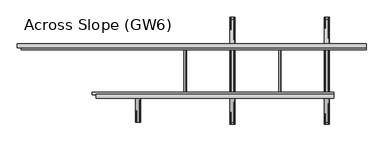
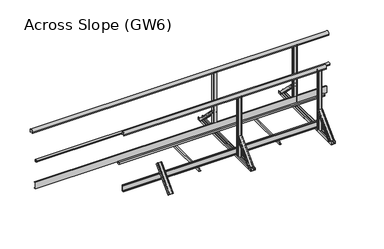
"""IFC4 building model written with IfcOpenShell, lengths in millimetres: proxy geometry, Across Slope (GW6)."""

from ifc_helpers import new_model, si_unit, point, frame, frame_2d, origin, origin_with_axes, place, context, project, spatial, polyline, circle_curve, trimmed, segment, composite_curve, outline, extrude, source, transform, mapped, element, save
from ifc_brep_helpers import plane_surface, extruded_surface, advanced_brep


def across_slope_gw6_4730b1f0(model_context):
    return source(origin(), model_context, "Body", "SolidModel", [
        extrude(outline(polyline([(-34.5, 63.0), (-34.5, 66.0), (-12.5, 66.0), (-12.5, 160.0), (-34.5, 160.0), (-34.5, 163.0), (-9.5, 163.0), (-9.5, 63.0), (-34.5, 63.0)])), frame((978.6034865, 0.0, 0.0), z_axis=(1.0, 0.0, 0.0), x_axis=(0.0, 1.0, 0.0)), (0.0, 0.0, 1.0), 3119.1400263),
        extrude(outline(composite_curve([segment(polyline([(-10.5, 1001.43534), (-10.5, 983.0), (-11.5, 983.0), (-11.5, 998.0), (-51.5, 998.0), (-51.5, 983.0), (-52.5, 983.0), (-52.5, 1001.43534)]), True, "CONTINUOUS"), segment(trimmed(circle_curve(frame_2d((-31.5, 1015.0)), 25.0), [point((-52.5, 1001.43534))], [point((-10.5, 1001.43534))], False, "CARTESIAN"), True, "CONTINUOUS")], self_intersect=False)), frame((980.0, 0.0, 0.0), z_axis=(1.0, 0.0, 0.0), x_axis=(0.0, 1.0, 0.0)), (0.0, 0.0, 1.0), 3119.1400263),
        extrude(outline(composite_curve([segment(trimmed(circle_curve(frame_2d((3.212495, 528.0)), 20.0), [point((21.8, 520.617273))], [point((-12.5, 515.6259343))], False, "CARTESIAN"), True, "CONTINUOUS"), segment(polyline([(-12.5, 515.6259343), (-12.5, 540.3740657)]), True, "CONTINUOUS"), segment(trimmed(circle_curve(frame_2d((3.212495, 528.0)), 20.0), [point((-12.5, 540.3740657))], [point((21.8, 535.382727))], False, "CARTESIAN"), True, "CONTINUOUS"), segment(polyline([(21.8, 535.382727), (17.8, 535.382727), (17.8, 520.617273), (21.8, 520.617273)]), True, "CONTINUOUS")], self_intersect=False)), frame((930.0, 0.0, 0.0), z_axis=(1.0, 0.0, 0.0), x_axis=(0.0, 1.0, 0.0)), (0.0, 0.0, 1.0), 3169.1400263),
        extrude(outline(polyline([(634.5, 63.0), (609.5, 63.0), (609.5, 163.0), (634.5, 163.0), (634.5, 160.0), (612.5, 160.0), (612.5, 66.0), (634.5, 66.0), (634.5, 63.0)])), frame((0.0, 0.0, 0.0), z_axis=(1.0, 0.0, 0.0), x_axis=(0.0, 1.0, 0.0)), (0.0, 0.0, 1.0), 4489.1400263),
        extrude(outline(composite_curve([segment(polyline([(578.2, 520.617273), (582.2, 520.617273), (582.2, 535.382727), (578.2, 535.382727)]), True, "CONTINUOUS"), segment(trimmed(circle_curve(frame_2d((596.787505, 528.0)), 20.0), [point((578.2, 535.382727))], [point((612.5, 540.3740657))], False, "CARTESIAN"), True, "CONTINUOUS"), segment(polyline([(612.5, 540.3740657), (612.5, 515.6259343)]), True, "CONTINUOUS"), segment(trimmed(circle_curve(frame_2d((596.787505, 528.0)), 20.0), [point((612.5, 515.6259343))], [point((578.2, 520.617273))], False, "CARTESIAN"), True, "CONTINUOUS")], self_intersect=False)), frame((0.0, 0.0, 0.0), z_axis=(1.0, 0.0, 0.0), x_axis=(0.0, 1.0, 0.0)), (0.0, 0.0, 1.0), 4519.1400263),
        extrude(outline(composite_curve([segment(polyline([(652.5, 1001.43534), (652.5, 983.0), (651.5, 983.0), (651.5, 998.0), (611.5, 998.0), (611.5, 983.0), (610.5, 983.0), (610.5, 1001.43534)]), True, "CONTINUOUS"), segment(trimmed(circle_curve(frame_2d((631.5, 1015.0)), 25.0), [point((610.5, 1001.43534))], [point((652.5, 1001.43534))], False, "CARTESIAN"), True, "CONTINUOUS")], self_intersect=False)), frame((-50.0, 0.0, 0.0), z_axis=(1.0, 0.0, 0.0), x_axis=(0.0, 1.0, 0.0)), (0.0, 0.0, 1.0), 4569.1400263),
        extrude(outline(polyline([(3e-07, 3405.3550197), (2.0000003, 3405.3550197), (2.0000003, 3377.3550197), (38.0000003, 3377.3550197), (38.0000003, 3395.3550197), (40.0000003, 3395.3550197), (40.0000003, 3375.3550197), (3e-07, 3375.3550197), (3e-07, 3405.3550197)])), frame((0.0, -50.0, 0.0), z_axis=(0.0, 1.0, 0.0), x_axis=(0.0, 0.0, 1.0)), (0.0, 0.0, 1.0), 700.0),
        extrude(outline(polyline([(3e-07, 2163.7850066), (2.0000003, 2163.7850066), (2.0000003, 2135.7850066), (38.0000003, 2135.7850066), (38.0000003, 2153.7850066), (40.0000003, 2153.7850066), (40.0000003, 2133.7850066), (3e-07, 2133.7850066), (3e-07, 2163.7850066)])), frame((0.0, -50.0, 0.0), z_axis=(0.0, 1.0, 0.0), x_axis=(0.0, 0.0, 1.0)), (0.0, 0.0, 1.0), 700.0),
        advanced_brep(
        [(2799.0700131, -368.6980515, 38.0), (2734.0700131, -368.6980515, 38.0), (2734.0700131, -342.888654, 12.1906025), (2737.0700131, -342.888654, 12.1906025), (2737.0700131, -366.5767312, 35.8786797), (2747.0700131, -366.5767312, 35.8786797), (2747.0700131, -364.8089642, 34.1109127), (2748.0700131, -364.8089642, 34.1109127), (2748.0700131, -366.5767312, 35.8786797), (2785.0700131, -366.5767312, 35.8786797), (2785.0700131, -364.8089642, 34.1109127), (2786.0700131, -364.8089642, 34.1109127), (2786.0700131, -366.5767312, 35.8786797), (2796.0700131, -366.5767312, 35.8786797), (2796.0700131, -342.888654, 12.1906025), (2799.0700131, -342.888654, 12.1906025), (2802.0700131, -50.5, 356.1980516), (2802.0700131, -24.6906025, 330.3886541), (2799.0700131, -24.6906025, 330.3886541), (2799.0700131, -48.3786797, 354.0767312), (2789.0700131, -48.3786797, 354.0767312), (2789.0700131, -46.6109127, 352.3089643), (2788.0700131, -46.6109127, 352.3089643), (2788.0700131, -48.3786797, 354.0767312), (2751.0700131, -48.3786797, 354.0767312), (2751.0700131, -46.6109127, 352.3089643), (2750.0700131, -46.6109127, 352.3089643), (2750.0700131, -48.3786797, 354.0767312), (2740.0700131, -48.3786797, 354.0767312), (2740.0700131, -24.6906025, 330.3886541), (2737.0700131, -24.6906025, 330.3886541), (2737.0700131, -50.5, 356.1980516)],
        [
            (0, 1),
            (1, 2),
            (2, 3, circle_curve(frame((2735.5700131, -342.888654, 12.1906025), z_axis=(0.0, -0.7071067811865506, -0.7071067811865446), x_axis=(0.0, -0.7071067811865446, 0.7071067811865506)), 1.5)),
            (3, 4),
            (4, 5),
            (5, 6),
            (6, 7, circle_curve(frame((2747.5700131, -364.8089642, 34.1109127), z_axis=(0.0, -0.7071067811865506, -0.7071067811865446), x_axis=(0.0, -0.7071067811865446, 0.7071067811865506)), 0.5)),
            (7, 8),
            (8, 9),
            (9, 10),
            (10, 11, circle_curve(frame((2785.5700131, -364.8089642, 34.1109127), z_axis=(0.0, -0.7071067811865506, -0.7071067811865446), x_axis=(0.0, -0.7071067811865446, 0.7071067811865506)), 0.5)),
            (11, 12),
            (12, 13),
            (13, 14),
            (14, 15, circle_curve(frame((2797.5700131, -342.888654, 12.1906025), z_axis=(0.0, -0.7071067811865506, -0.7071067811865446), x_axis=(0.0, -0.7071067811865446, 0.7071067811865506)), 1.5)),
            (15, 0),
            (16, 17),
            (17, 18, circle_curve(frame((2800.5700131, -24.6906025, 330.3886541), z_axis=(0.0, 0.7071067811865506, 0.7071067811865446), x_axis=(0.0, -0.7071067811865446, 0.7071067811865506)), 1.5)),
            (18, 19),
            (19, 20),
            (20, 21),
            (21, 22, circle_curve(frame((2788.5700131, -46.6109127, 352.3089643), z_axis=(0.0, 0.7071067811865506, 0.7071067811865446), x_axis=(0.0, -0.7071067811865446, 0.7071067811865506)), 0.5)),
            (22, 23),
            (23, 24),
            (24, 25),
            (25, 26, circle_curve(frame((2750.5700131, -46.6109127, 352.3089643), z_axis=(0.0, 0.7071067811865506, 0.7071067811865446), x_axis=(0.0, -0.7071067811865446, 0.7071067811865506)), 0.5)),
            (26, 27),
            (27, 28),
            (28, 29),
            (29, 30, circle_curve(frame((2738.5700131, -24.6906025, 330.3886541), z_axis=(0.0, 0.7071067811865506, 0.7071067811865446), x_axis=(0.0, -0.7071067811865446, 0.7071067811865506)), 1.5)),
            (30, 31),
            (31, 16),
            (16, 0),
            (15, 17),
            (14, 18),
            (13, 19),
            (12, 20),
            (11, 21),
            (10, 22),
            (9, 23),
            (8, 24),
            (7, 25),
            (6, 26),
            (5, 27),
            (4, 28),
            (3, 29),
            (2, 30),
            (1, 31),
        ],
        [
            plane_surface(frame((2766.5700131, -360.4779352, 29.7798837), z_axis=(0.0, -0.7071067811865502, -0.7071067811865449), x_axis=(0.0, 0.7071067811865449, -0.7071067811865502))),
            plane_surface(frame((2769.5700131, -42.2798837, 347.9779352), z_axis=(0.0, 0.7071067811865505, 0.7071067811865447), x_axis=(0.0, 0.7071067811865447, -0.7071067811865505))),
            plane_surface(frame((2802.0700131, -37.5953012, 343.2933528), z_axis=(0.9999777785184913, -0.004713940454838276, -0.004713940454838116), x_axis=(0.0, 0.7071067811865449, -0.7071067811865502))),
            extruded_surface(trimmed(circle_curve(frame((2797.5700131, -342.888654, 12.1906025), z_axis=(0.0, 0.7071067811865506, 0.7071067811865446), x_axis=(0.0, -0.7071067811865446, 0.7071067811865506)), 1.5), [point((2799.0700131, -342.888654, 12.1906025))], [point((2796.0700131, -342.888654, 12.1906025))], True, "CARTESIAN"), (3.0, 318.19805149999996, 318.1980516), 450.00999991159404),
            plane_surface(frame((2799.0700131, -36.5346411, 342.2326926), z_axis=(-0.9999777785184911, 0.004713940454837886, 0.00471394045483772), x_axis=(0.0, -0.7071067811865445, 0.7071067811865506))),
            plane_surface(frame((2794.0700131, -48.3786797, 354.0767312), z_axis=(0.0, 0.7071067811865455, -0.7071067811865496), x_axis=(-1.0, 0.0, 0.0))),
            plane_surface(frame((2789.0700131, -47.4947962, 353.1928478), z_axis=(0.9999777785184913, -0.004713940454838199, -0.0047139404548380325), x_axis=(0.0, 0.7071067811865445, -0.7071067811865507))),
            extruded_surface(trimmed(circle_curve(frame((2785.5700131, -364.8089642, 34.1109127), z_axis=(0.0, 0.7071067811865506, 0.7071067811865446), x_axis=(0.0, -0.7071067811865446, 0.7071067811865506)), 0.5), [point((2786.0700131, -364.8089642, 34.1109127))], [point((2785.0700131, -364.8089642, 34.1109127))], True, "CARTESIAN"), (3.0, 318.1980515, 318.1980516), 450.0099999115941),
            plane_surface(frame((2788.0700131, -47.4947962, 353.1928478), z_axis=(-0.9999777785184912, 0.004713940454838169, 0.0047139404548381045), x_axis=(0.0, -0.7071067811865521, 0.707106781186543))),
            plane_surface(frame((2769.5700131, -48.3786797, 354.0767312), z_axis=(0.0, 0.7071067811865461, -0.7071067811865491), x_axis=(-1.0, 0.0, 0.0))),
            plane_surface(frame((2751.0700131, -47.4947962, 353.1928478), z_axis=(0.9999777785184911, -0.004713940454838164, -0.004713940454837987), x_axis=(0.0, 0.7071067811865436, -0.7071067811865515))),
            extruded_surface(trimmed(circle_curve(frame((2747.5700131, -364.8089642, 34.1109127), z_axis=(0.0, 0.7071067811865506, 0.7071067811865446), x_axis=(0.0, -0.7071067811865446, 0.7071067811865506)), 0.5), [point((2748.0700131, -364.8089642, 34.1109127))], [point((2747.0700131, -364.8089642, 34.1109127))], True, "CARTESIAN"), (3.0, 318.1980515, 318.1980516), 450.0099999115941),
            plane_surface(frame((2750.0700131, -47.4947962, 353.1928478), z_axis=(-0.9999777785184913, 0.004713940454838203, 0.004713940454838003), x_axis=(0.0, -0.7071067811865419, 0.7071067811865532))),
            plane_surface(frame((2745.0700131, -48.3786797, 354.0767312), z_axis=(0.0, 0.7071067811865461, -0.7071067811865491), x_axis=(-1.0, 0.0, 0.0))),
            plane_surface(frame((2740.0700131, -36.5346411, 342.2326926), z_axis=(0.9999777785184911, -0.004713940454838192, -0.004713940454838038), x_axis=(0.0, 0.7071067811865454, -0.7071067811865497))),
            extruded_surface(trimmed(circle_curve(frame((2735.5700131, -342.888654, 12.1906025), z_axis=(0.0, 0.7071067811865506, 0.7071067811865446), x_axis=(0.0, -0.7071067811865446, 0.7071067811865506)), 1.5), [point((2737.0700131, -342.888654, 12.1906025))], [point((2734.0700131, -342.888654, 12.1906025))], True, "CARTESIAN"), (3.0, 318.19805149999996, 318.1980516), 450.00999991159404),
            plane_surface(frame((2737.0700131, -37.5953012, 343.2933528), z_axis=(-0.9999777785184911, 0.00471394045483825, 0.004713940454838091), x_axis=(0.0, -0.7071067811865449, 0.7071067811865501))),
            plane_surface(frame((2769.5700131, -50.5, 356.1980516), z_axis=(0.0, -0.7071067811865455, 0.7071067811865497), x_axis=(1.0, 0.0, 0.0))),
        ],
        [
            (0, [[1, 2, 3, 4, 5, 6, 7, 8, 9, 10, 11, 12, 13, 14, 15, 16]]),
            (1, [[17, 18, 19, 20, 21, 22, 23, 24, 25, 26, 27, 28, 29, 30, 31, 32]]),
            (2, [[33, -16, 34, -17]]),
            (3, [[-34, -15, 35, -18]]),
            (4, [[-35, -14, 36, -19]]),
            (5, [[-36, -13, 37, -20]]),
            (6, [[-37, -12, 38, -21]]),
            (7, [[-38, -11, 39, -22]]),
            (8, [[-39, -10, 40, -23]]),
            (9, [[-40, -9, 41, -24]]),
            (10, [[-41, -8, 42, -25]]),
            (11, [[-42, -7, 43, -26]]),
            (12, [[-43, -6, 44, -27]]),
            (13, [[-44, -5, 45, -28]]),
            (14, [[-45, -4, 46, -29]]),
            (15, [[-46, -3, 47, -30]]),
            (16, [[-47, -2, 48, -31]]),
            (17, [[-48, -1, -33, -32]]),
        ],
    ),
        extrude(outline(composite_curve([segment(polyline([(2792.5700131, -50.5), (2746.5700131, -50.5)]), True, "CONTINUOUS"), segment(trimmed(circle_curve(frame_2d((2746.5700131, -45.5)), 5.0), [point((2746.5700131, -50.5))], [point((2741.5700131, -45.5))], False, "CARTESIAN"), True, "CONTINUOUS"), segment(polyline([(2741.5700131, -45.5), (2741.5700131, -17.5)]), True, "CONTINUOUS"), segment(trimmed(circle_curve(frame_2d((2746.5700131, -17.5)), 5.0), [point((2741.5700131, -17.5))], [point((2746.5700131, -12.5))], False, "CARTESIAN"), True, "CONTINUOUS"), segment(polyline([(2746.5700131, -12.5), (2792.5700131, -12.5)]), True, "CONTINUOUS"), segment(trimmed(circle_curve(frame_2d((2792.5700131, -17.5)), 5.0), [point((2792.5700131, -12.5))], [point((2797.5700131, -17.5))], False, "CARTESIAN"), True, "CONTINUOUS"), segment(polyline([(2797.5700131, -17.5), (2797.5700131, -45.5)]), True, "CONTINUOUS"), segment(trimmed(circle_curve(frame_2d((2792.5700131, -45.5)), 5.0), [point((2797.5700131, -45.5))], [point((2792.5700131, -50.5))], False, "CARTESIAN"), True, "CONTINUOUS")], self_intersect=False)), origin_with_axes(), (0.0, 0.0, 1.0), 998.0),
        extrude(outline(composite_curve([segment(polyline([(2792.5700131, 612.5), (2746.5700131, 612.5)]), True, "CONTINUOUS"), segment(trimmed(circle_curve(frame_2d((2746.5700131, 617.5)), 5.0), [point((2746.5700131, 612.5))], [point((2741.5700131, 617.5))], False, "CARTESIAN"), True, "CONTINUOUS"), segment(polyline([(2741.5700131, 617.5), (2741.5700131, 645.5)]), True, "CONTINUOUS"), segment(trimmed(circle_curve(frame_2d((2746.5700131, 645.5)), 5.0), [point((2741.5700131, 645.5))], [point((2746.5700131, 650.5))], False, "CARTESIAN"), True, "CONTINUOUS"), segment(polyline([(2746.5700131, 650.5), (2792.5700131, 650.5)]), True, "CONTINUOUS"), segment(trimmed(circle_curve(frame_2d((2792.5700131, 645.5)), 5.0), [point((2792.5700131, 650.5))], [point((2797.5700131, 645.5))], False, "CARTESIAN"), True, "CONTINUOUS"), segment(polyline([(2797.5700131, 645.5), (2797.5700131, 617.5)]), True, "CONTINUOUS"), segment(trimmed(circle_curve(frame_2d((2792.5700131, 617.5)), 5.0), [point((2797.5700131, 617.5))], [point((2792.5700131, 612.5))], False, "CARTESIAN"), True, "CONTINUOUS")], self_intersect=False)), origin_with_axes(), (0.0, 0.0, 1.0), 998.0),
        advanced_brep(
        [(2734.0700131, 968.7087394, 38.0), (2799.0700131, 968.7087394, 38.0), (2799.0700131, 942.8993419, 12.1906025), (2796.0700131, 942.8993419, 12.1906025), (2796.0700131, 966.5874191, 35.8786797), (2786.0700131, 966.5874191, 35.8786797), (2786.0700131, 964.8196521, 34.1109127), (2785.0700131, 964.8196521, 34.1109127), (2785.0700131, 966.5874191, 35.8786797), (2748.0700131, 966.5874191, 35.8786797), (2748.0700131, 964.8196521, 34.1109127), (2747.0700131, 964.8196521, 34.1109127), (2747.0700131, 966.5874191, 35.8786797), (2737.0700131, 966.5874191, 35.8786797), (2737.0700131, 942.8993419, 12.1906025), (2734.0700131, 942.8993419, 12.1906025), (2737.0700131, 650.5106879, 356.1980516), (2737.0700131, 624.7012904, 330.3886541), (2740.0700131, 624.7012904, 330.3886541), (2740.0700131, 648.3893676, 354.0767312), (2750.0700131, 648.3893676, 354.0767312), (2750.0700131, 646.6216006, 352.3089643), (2751.0700131, 646.6216006, 352.3089643), (2751.0700131, 648.3893676, 354.0767312), (2788.0700131, 648.3893676, 354.0767312), (2788.0700131, 646.6216006, 352.3089643), (2789.0700131, 646.6216006, 352.3089643), (2789.0700131, 648.3893676, 354.0767312), (2799.0700131, 648.3893676, 354.0767312), (2799.0700131, 624.7012904, 330.3886541), (2802.0700131, 624.7012904, 330.3886541), (2802.0700131, 650.5106879, 356.1980516)],
        [
            (0, 1),
            (1, 2),
            (2, 3, circle_curve(frame((2797.5700131, 942.8993419, 12.1906025), z_axis=(0.0, 0.7071067811865432, -0.7071067811865519), x_axis=(0.0, -0.7071067811865519, -0.7071067811865432)), 1.5)),
            (3, 4),
            (4, 5),
            (5, 6),
            (6, 7, circle_curve(frame((2785.5700131, 964.8196521, 34.1109127), z_axis=(0.0, 0.7071067811865432, -0.7071067811865519), x_axis=(0.0, -0.7071067811865519, -0.7071067811865432)), 0.5)),
            (7, 8),
            (8, 9),
            (9, 10),
            (10, 11, circle_curve(frame((2747.5700131, 964.8196521, 34.1109127), z_axis=(0.0, 0.7071067811865432, -0.7071067811865519), x_axis=(0.0, -0.7071067811865519, -0.7071067811865432)), 0.5)),
            (11, 12),
            (12, 13),
            (13, 14),
            (14, 15, circle_curve(frame((2735.5700131, 942.8993419, 12.1906025), z_axis=(0.0, 0.7071067811865432, -0.7071067811865519), x_axis=(0.0, -0.7071067811865519, -0.7071067811865432)), 1.5)),
            (15, 0),
            (16, 17),
            (17, 18, circle_curve(frame((2738.5700131, 624.7012904, 330.3886541), z_axis=(0.0, -0.7071067811865432, 0.7071067811865519), x_axis=(0.0, -0.7071067811865519, -0.7071067811865432)), 1.5)),
            (18, 19),
            (19, 20),
            (20, 21),
            (21, 22, circle_curve(frame((2750.5700131, 646.6216006, 352.3089643), z_axis=(0.0, -0.7071067811865432, 0.7071067811865519), x_axis=(0.0, -0.7071067811865519, -0.7071067811865432)), 0.5)),
            (22, 23),
            (23, 24),
            (24, 25),
            (25, 26, circle_curve(frame((2788.5700131, 646.6216006, 352.3089643), z_axis=(0.0, -0.7071067811865432, 0.7071067811865519), x_axis=(0.0, -0.7071067811865519, -0.7071067811865432)), 0.5)),
            (26, 27),
            (27, 28),
            (28, 29),
            (29, 30, circle_curve(frame((2800.5700131, 624.7012904, 330.3886541), z_axis=(0.0, -0.7071067811865432, 0.7071067811865519), x_axis=(0.0, -0.7071067811865519, -0.7071067811865432)), 1.5)),
            (30, 31),
            (31, 16),
            (16, 0),
            (15, 17),
            (14, 18),
            (13, 19),
            (12, 20),
            (11, 21),
            (10, 22),
            (9, 23),
            (8, 24),
            (7, 25),
            (6, 26),
            (5, 27),
            (4, 28),
            (3, 29),
            (2, 30),
            (1, 31),
        ],
        [
            plane_surface(frame((2766.5700131, 960.4886231, 29.7798837), z_axis=(0.0, 0.707106781186543, -0.7071067811865521), x_axis=(0.0, -0.7071067811865521, -0.707106781186543))),
            plane_surface(frame((2769.5700131, 642.2905716, 347.9779352), z_axis=(0.0, -0.7071067811865432, 0.7071067811865519), x_axis=(0.0, -0.7071067811865519, -0.7071067811865432))),
            plane_surface(frame((2737.0700131, 637.6059891, 343.2933528), z_axis=(-0.9999777785184912, -0.004713940454842057, 0.004713940454841993), x_axis=(0.0, -0.7071067811865521, -0.707106781186543))),
            extruded_surface(trimmed(circle_curve(frame((2735.5700131, 942.8993419, 12.1906025), z_axis=(0.0, -0.7071067811865432, 0.7071067811865519), x_axis=(0.0, -0.7071067811865519, -0.7071067811865432)), 1.5), [point((2734.0700131, 942.8993419, 12.1906025))], [point((2737.0700131, 942.8993419, 12.1906025))], True, "CARTESIAN"), (3.0, -318.1980515, 318.1980516), 450.0099999115941),
            plane_surface(frame((2740.0700131, 636.545329, 342.2326926), z_axis=(0.9999777785184912, 0.004713940454842057, -0.004713940454841993), x_axis=(0.0, 0.7071067811865521, 0.707106781186543))),
            plane_surface(frame((2745.0700131, 648.3893676, 354.0767312), z_axis=(0.0, -0.7071067811865525, -0.7071067811865427), x_axis=(1.0, 0.0, 0.0))),
            plane_surface(frame((2750.0700131, 647.5054841, 353.1928478), z_axis=(-0.9999777785184911, -0.004713940454842033, 0.004713940454842016), x_axis=(0.0, -0.7071067811865557, -0.7071067811865394))),
            extruded_surface(trimmed(circle_curve(frame((2747.5700131, 964.8196521, 34.1109127), z_axis=(0.0, -0.7071067811865432, 0.7071067811865519), x_axis=(0.0, -0.7071067811865519, -0.7071067811865432)), 0.5), [point((2747.0700131, 964.8196521, 34.1109127))], [point((2748.0700131, 964.8196521, 34.1109127))], True, "CARTESIAN"), (3.0, -318.1980515, 318.1980516), 450.0099999115941),
            plane_surface(frame((2751.0700131, 647.5054841, 353.1928478), z_axis=(0.9999777785184911, 0.004713940454842045, -0.004713940454842029), x_axis=(0.0, 0.7071067811865557, 0.7071067811865394))),
            plane_surface(frame((2769.5700131, 648.3893676, 354.0767312), z_axis=(0.0, -0.7071067811865525, -0.7071067811865427), x_axis=(1.0, 0.0, 0.0))),
            plane_surface(frame((2788.0700131, 647.5054841, 353.1928478), z_axis=(-0.9999777785184911, -0.004713940454842039, 0.004713940454842022), x_axis=(0.0, -0.7071067811865557, -0.7071067811865394))),
            extruded_surface(trimmed(circle_curve(frame((2785.5700131, 964.8196521, 34.1109127), z_axis=(0.0, -0.7071067811865432, 0.7071067811865519), x_axis=(0.0, -0.7071067811865519, -0.7071067811865432)), 0.5), [point((2785.0700131, 964.8196521, 34.1109127))], [point((2786.0700131, 964.8196521, 34.1109127))], True, "CARTESIAN"), (3.0, -318.1980515, 318.1980516), 450.0099999115941),
            plane_surface(frame((2789.0700131, 647.5054841, 353.1928478), z_axis=(0.9999777785184911, 0.004713940454842066, -0.004713940454841994), x_axis=(0.0, 0.7071067811865515, 0.7071067811865436))),
            plane_surface(frame((2794.0700131, 648.3893676, 354.0767312), z_axis=(0.0, -0.7071067811865522, -0.707106781186543), x_axis=(1.0, 0.0, 0.0))),
            plane_surface(frame((2799.0700131, 636.545329, 342.2326926), z_axis=(-0.9999777785184911, -0.004713940454842064, 0.004713940454841998), x_axis=(0.0, -0.707106781186552, -0.7071067811865431))),
            extruded_surface(trimmed(circle_curve(frame((2797.5700131, 942.8993419, 12.1906025), z_axis=(0.0, -0.7071067811865432, 0.7071067811865519), x_axis=(0.0, -0.7071067811865519, -0.7071067811865432)), 1.5), [point((2796.0700131, 942.8993419, 12.1906025))], [point((2799.0700131, 942.8993419, 12.1906025))], True, "CARTESIAN"), (3.0, -318.1980515, 318.1980516), 450.0099999115941),
            plane_surface(frame((2802.0700131, 637.6059891, 343.2933528), z_axis=(0.9999777785184913, 0.004713940454842066, -0.004713940454841998), x_axis=(0.0, 0.7071067811865519, 0.7071067811865432))),
            plane_surface(frame((2769.5700131, 650.5106879, 356.1980516), z_axis=(0.0, 0.7071067811865526, 0.7071067811865427), x_axis=(-1.0, 0.0, 0.0))),
        ],
        [
            (0, [[1, 2, 3, 4, 5, 6, 7, 8, 9, 10, 11, 12, 13, 14, 15, 16]]),
            (1, [[17, 18, 19, 20, 21, 22, 23, 24, 25, 26, 27, 28, 29, 30, 31, 32]]),
            (2, [[33, -16, 34, -17]]),
            (3, [[-34, -15, 35, -18]]),
            (4, [[-35, -14, 36, -19]]),
            (5, [[-36, -13, 37, -20]]),
            (6, [[-37, -12, 38, -21]]),
            (7, [[-38, -11, 39, -22]]),
            (8, [[-39, -10, 40, -23]]),
            (9, [[-40, -9, 41, -24]]),
            (10, [[-41, -8, 42, -25]]),
            (11, [[-42, -7, 43, -26]]),
            (12, [[-43, -6, 44, -27]]),
            (13, [[-44, -5, 45, -28]]),
            (14, [[-45, -4, 46, -29]]),
            (15, [[-46, -3, 47, -30]]),
            (16, [[-47, -2, 48, -31]]),
            (17, [[-48, -1, -33, -32]]),
        ],
    ),
        extrude(outline(composite_curve([segment(polyline([(0.0, 2737.0700131), (0.0, 2802.0700131), (36.5, 2802.0700131)]), True, "CONTINUOUS"), segment(trimmed(circle_curve(frame_2d((36.5, 2800.5700131)), 1.5), [point((36.5, 2802.0700131))], [point((36.5, 2799.0700131))], False, "CARTESIAN"), True, "CONTINUOUS"), segment(polyline([(36.5, 2799.0700131), (3.0, 2799.0700131), (3.0, 2789.0700131), (5.5, 2789.0700131)]), True, "CONTINUOUS"), segment(trimmed(circle_curve(frame_2d((5.5, 2788.5700131)), 0.5), [point((5.5, 2789.0700131))], [point((5.5, 2788.0700131))], False, "CARTESIAN"), True, "CONTINUOUS"), segment(polyline([(5.5, 2788.0700131), (3.0, 2788.0700131), (3.0, 2751.0700131), (5.5, 2751.0700131)]), True, "CONTINUOUS"), segment(trimmed(circle_curve(frame_2d((5.5, 2750.5700131)), 0.5), [point((5.5, 2751.0700131))], [point((5.5, 2750.0700131))], False, "CARTESIAN"), True, "CONTINUOUS"), segment(polyline([(5.5, 2750.0700131), (3.0, 2750.0700131), (3.0, 2740.0700131), (36.5, 2740.0700131)]), True, "CONTINUOUS"), segment(trimmed(circle_curve(frame_2d((36.5, 2738.5700131)), 1.5), [point((36.5, 2740.0700131))], [point((36.5, 2737.0700131))], False, "CARTESIAN"), True, "CONTINUOUS"), segment(polyline([(36.5, 2737.0700131), (0.0, 2737.0700131)]), True, "CONTINUOUS")], self_intersect=False)), frame((0.0, -400.0, 0.0), z_axis=(0.0, 1.0, 0.0), x_axis=(0.0, 0.0, 1.0)), (0.0, 0.0, 1.0), 1400.0),
        advanced_brep(
        [(4036.1400263, -368.6980515, 38.0), (3971.1400263, -368.6980515, 38.0), (3971.1400263, -342.888654, 12.1906025), (3974.1400263, -342.888654, 12.1906025), (3974.1400263, -366.5767312, 35.8786797), (3984.1400263, -366.5767312, 35.8786797), (3984.1400263, -364.8089642, 34.1109127), (3985.1400263, -364.8089642, 34.1109127), (3985.1400263, -366.5767312, 35.8786797), (4022.1400263, -366.5767312, 35.8786797), (4022.1400263, -364.8089642, 34.1109127), (4023.1400263, -364.8089642, 34.1109127), (4023.1400263, -366.5767312, 35.8786797), (4033.1400263, -366.5767312, 35.8786797), (4033.1400263, -342.888654, 12.1906025), (4036.1400263, -342.888654, 12.1906025), (4039.1400263, -50.5, 356.1980516), (4039.1400263, -24.6906025, 330.3886541), (4036.1400263, -24.6906025, 330.3886541), (4036.1400263, -48.3786797, 354.0767312), (4026.1400263, -48.3786797, 354.0767312), (4026.1400263, -46.6109127, 352.3089643), (4025.1400263, -46.6109127, 352.3089643), (4025.1400263, -48.3786797, 354.0767312), (3988.1400263, -48.3786797, 354.0767312), (3988.1400263, -46.6109127, 352.3089643), (3987.1400263, -46.6109127, 352.3089643), (3987.1400263, -48.3786797, 354.0767312), (3977.1400263, -48.3786797, 354.0767312), (3977.1400263, -24.6906025, 330.3886541), (3974.1400263, -24.6906025, 330.3886541), (3974.1400263, -50.5, 356.1980516)],
        [
            (0, 1),
            (1, 2),
            (2, 3, circle_curve(frame((3972.6400263, -342.888654, 12.1906025), z_axis=(0.0, -0.7071067811865506, -0.7071067811865446), x_axis=(0.0, -0.7071067811865446, 0.7071067811865506)), 1.5)),
            (3, 4),
            (4, 5),
            (5, 6),
            (6, 7, circle_curve(frame((3984.6400263, -364.8089642, 34.1109127), z_axis=(0.0, -0.7071067811865506, -0.7071067811865446), x_axis=(0.0, -0.7071067811865446, 0.7071067811865506)), 0.5)),
            (7, 8),
            (8, 9),
            (9, 10),
            (10, 11, circle_curve(frame((4022.6400263, -364.8089642, 34.1109127), z_axis=(0.0, -0.7071067811865506, -0.7071067811865446), x_axis=(0.0, -0.7071067811865446, 0.7071067811865506)), 0.5)),
            (11, 12),
            (12, 13),
            (13, 14),
            (14, 15, circle_curve(frame((4034.6400263, -342.888654, 12.1906025), z_axis=(0.0, -0.7071067811865506, -0.7071067811865446), x_axis=(0.0, -0.7071067811865446, 0.7071067811865506)), 1.5)),
            (15, 0),
            (16, 17),
            (17, 18, circle_curve(frame((4037.6400263, -24.6906025, 330.3886541), z_axis=(0.0, 0.7071067811865506, 0.7071067811865446), x_axis=(0.0, -0.7071067811865446, 0.7071067811865506)), 1.5)),
            (18, 19),
            (19, 20),
            (20, 21),
            (21, 22, circle_curve(frame((4025.6400263, -46.6109127, 352.3089643), z_axis=(0.0, 0.7071067811865506, 0.7071067811865446), x_axis=(0.0, -0.7071067811865446, 0.7071067811865506)), 0.5)),
            (22, 23),
            (23, 24),
            (24, 25),
            (25, 26, circle_curve(frame((3987.6400263, -46.6109127, 352.3089643), z_axis=(0.0, 0.7071067811865506, 0.7071067811865446), x_axis=(0.0, -0.7071067811865446, 0.7071067811865506)), 0.5)),
            (26, 27),
            (27, 28),
            (28, 29),
            (29, 30, circle_curve(frame((3975.6400263, -24.6906025, 330.3886541), z_axis=(0.0, 0.7071067811865506, 0.7071067811865446), x_axis=(0.0, -0.7071067811865446, 0.7071067811865506)), 1.5)),
            (30, 31),
            (31, 16),
            (16, 0),
            (15, 17),
            (14, 18),
            (13, 19),
            (12, 20),
            (11, 21),
            (10, 22),
            (9, 23),
            (8, 24),
            (7, 25),
            (6, 26),
            (5, 27),
            (4, 28),
            (3, 29),
            (2, 30),
            (1, 31),
        ],
        [
            plane_surface(frame((4003.6400263, -360.4779352, 29.7798837), z_axis=(0.0, -0.7071067811865502, -0.7071067811865449), x_axis=(0.0, 0.7071067811865449, -0.7071067811865502))),
            plane_surface(frame((4006.6400263, -42.2798837, 347.9779352), z_axis=(0.0, 0.7071067811865505, 0.7071067811865447), x_axis=(0.0, 0.7071067811865447, -0.7071067811865505))),
            plane_surface(frame((4039.1400263, -37.5953012, 343.2933528), z_axis=(0.9999777785184913, -0.004713940454838276, -0.004713940454838116), x_axis=(0.0, 0.7071067811865449, -0.7071067811865502))),
            extruded_surface(trimmed(circle_curve(frame((4034.6400263, -342.888654, 12.1906025), z_axis=(0.0, 0.7071067811865506, 0.7071067811865446), x_axis=(0.0, -0.7071067811865446, 0.7071067811865506)), 1.5), [point((4036.1400263, -342.888654, 12.1906025))], [point((4033.1400263, -342.888654, 12.1906025))], True, "CARTESIAN"), (3.0, 318.19805149999996, 318.1980516), 450.00999991159404),
            plane_surface(frame((4036.1400263, -36.5346411, 342.2326926), z_axis=(-0.9999777785184911, 0.004713940454837886, 0.00471394045483772), x_axis=(0.0, -0.7071067811865445, 0.7071067811865506))),
            plane_surface(frame((4031.1400263, -48.3786797, 354.0767312), z_axis=(0.0, 0.7071067811865455, -0.7071067811865496), x_axis=(-1.0, 0.0, 0.0))),
            plane_surface(frame((4026.1400263, -47.4947962, 353.1928478), z_axis=(0.9999777785184913, -0.004713940454838199, -0.0047139404548380325), x_axis=(0.0, 0.7071067811865445, -0.7071067811865507))),
            extruded_surface(trimmed(circle_curve(frame((4022.6400263, -364.8089642, 34.1109127), z_axis=(0.0, 0.7071067811865506, 0.7071067811865446), x_axis=(0.0, -0.7071067811865446, 0.7071067811865506)), 0.5), [point((4023.1400263, -364.8089642, 34.1109127))], [point((4022.1400263, -364.8089642, 34.1109127))], True, "CARTESIAN"), (3.0, 318.1980515, 318.1980516), 450.0099999115941),
            plane_surface(frame((4025.1400263, -47.4947962, 353.1928478), z_axis=(-0.9999777785184912, 0.004713940454838169, 0.0047139404548381045), x_axis=(0.0, -0.7071067811865521, 0.707106781186543))),
            plane_surface(frame((4006.6400263, -48.3786797, 354.0767312), z_axis=(0.0, 0.7071067811865461, -0.7071067811865491), x_axis=(-1.0, 0.0, 0.0))),
            plane_surface(frame((3988.1400263, -47.4947962, 353.1928478), z_axis=(0.9999777785184911, -0.004713940454838164, -0.004713940454837987), x_axis=(0.0, 0.7071067811865436, -0.7071067811865515))),
            extruded_surface(trimmed(circle_curve(frame((3984.6400263, -364.8089642, 34.1109127), z_axis=(0.0, 0.7071067811865506, 0.7071067811865446), x_axis=(0.0, -0.7071067811865446, 0.7071067811865506)), 0.5), [point((3985.1400263, -364.8089642, 34.1109127))], [point((3984.1400263, -364.8089642, 34.1109127))], True, "CARTESIAN"), (3.0, 318.1980515, 318.1980516), 450.0099999115941),
            plane_surface(frame((3987.1400263, -47.4947962, 353.1928478), z_axis=(-0.9999777785184913, 0.004713940454838203, 0.004713940454838003), x_axis=(0.0, -0.7071067811865419, 0.7071067811865532))),
            plane_surface(frame((3982.1400263, -48.3786797, 354.0767312), z_axis=(0.0, 0.7071067811865461, -0.7071067811865491), x_axis=(-1.0, 0.0, 0.0))),
            plane_surface(frame((3977.1400263, -36.5346411, 342.2326926), z_axis=(0.9999777785184911, -0.004713940454838192, -0.004713940454838038), x_axis=(0.0, 0.7071067811865454, -0.7071067811865497))),
            extruded_surface(trimmed(circle_curve(frame((3972.6400263, -342.888654, 12.1906025), z_axis=(0.0, 0.7071067811865506, 0.7071067811865446), x_axis=(0.0, -0.7071067811865446, 0.7071067811865506)), 1.5), [point((3974.1400263, -342.888654, 12.1906025))], [point((3971.1400263, -342.888654, 12.1906025))], True, "CARTESIAN"), (3.0, 318.19805149999996, 318.1980516), 450.00999991159404),
            plane_surface(frame((3974.1400263, -37.5953012, 343.2933528), z_axis=(-0.9999777785184911, 0.00471394045483825, 0.004713940454838091), x_axis=(0.0, -0.7071067811865449, 0.7071067811865501))),
            plane_surface(frame((4006.6400263, -50.5, 356.1980516), z_axis=(0.0, -0.7071067811865455, 0.7071067811865497), x_axis=(1.0, 0.0, 0.0))),
        ],
        [
            (0, [[1, 2, 3, 4, 5, 6, 7, 8, 9, 10, 11, 12, 13, 14, 15, 16]]),
            (1, [[17, 18, 19, 20, 21, 22, 23, 24, 25, 26, 27, 28, 29, 30, 31, 32]]),
            (2, [[33, -16, 34, -17]]),
            (3, [[-34, -15, 35, -18]]),
            (4, [[-35, -14, 36, -19]]),
            (5, [[-36, -13, 37, -20]]),
            (6, [[-37, -12, 38, -21]]),
            (7, [[-38, -11, 39, -22]]),
            (8, [[-39, -10, 40, -23]]),
            (9, [[-40, -9, 41, -24]]),
            (10, [[-41, -8, 42, -25]]),
            (11, [[-42, -7, 43, -26]]),
            (12, [[-43, -6, 44, -27]]),
            (13, [[-44, -5, 45, -28]]),
            (14, [[-45, -4, 46, -29]]),
            (15, [[-46, -3, 47, -30]]),
            (16, [[-47, -2, 48, -31]]),
            (17, [[-48, -1, -33, -32]]),
        ],
    ),
        extrude(outline(composite_curve([segment(polyline([(4029.6400263, -50.5), (3983.6400263, -50.5)]), True, "CONTINUOUS"), segment(trimmed(circle_curve(frame_2d((3983.6400263, -45.5)), 5.0), [point((3983.6400263, -50.5))], [point((3978.6400263, -45.5))], False, "CARTESIAN"), True, "CONTINUOUS"), segment(polyline([(3978.6400263, -45.5), (3978.6400263, -17.5)]), True, "CONTINUOUS"), segment(trimmed(circle_curve(frame_2d((3983.6400263, -17.5)), 5.0), [point((3978.6400263, -17.5))], [point((3983.6400263, -12.5))], False, "CARTESIAN"), True, "CONTINUOUS"), segment(polyline([(3983.6400263, -12.5), (4029.6400263, -12.5)]), True, "CONTINUOUS"), segment(trimmed(circle_curve(frame_2d((4029.6400263, -17.5)), 5.0), [point((4029.6400263, -12.5))], [point((4034.6400263, -17.5))], False, "CARTESIAN"), True, "CONTINUOUS"), segment(polyline([(4034.6400263, -17.5), (4034.6400263, -45.5)]), True, "CONTINUOUS"), segment(trimmed(circle_curve(frame_2d((4029.6400263, -45.5)), 5.0), [point((4034.6400263, -45.5))], [point((4029.6400263, -50.5))], False, "CARTESIAN"), True, "CONTINUOUS")], self_intersect=False)), origin_with_axes(), (0.0, 0.0, 1.0), 998.0),
        extrude(outline(composite_curve([segment(polyline([(4029.6400263, 612.5), (3983.6400263, 612.5)]), True, "CONTINUOUS"), segment(trimmed(circle_curve(frame_2d((3983.6400263, 617.5)), 5.0), [point((3983.6400263, 612.5))], [point((3978.6400263, 617.5))], False, "CARTESIAN"), True, "CONTINUOUS"), segment(polyline([(3978.6400263, 617.5), (3978.6400263, 645.5)]), True, "CONTINUOUS"), segment(trimmed(circle_curve(frame_2d((3983.6400263, 645.5)), 5.0), [point((3978.6400263, 645.5))], [point((3983.6400263, 650.5))], False, "CARTESIAN"), True, "CONTINUOUS"), segment(polyline([(3983.6400263, 650.5), (4029.6400263, 650.5)]), True, "CONTINUOUS"), segment(trimmed(circle_curve(frame_2d((4029.6400263, 645.5)), 5.0), [point((4029.6400263, 650.5))], [point((4034.6400263, 645.5))], False, "CARTESIAN"), True, "CONTINUOUS"), segment(polyline([(4034.6400263, 645.5), (4034.6400263, 617.5)]), True, "CONTINUOUS"), segment(trimmed(circle_curve(frame_2d((4029.6400263, 617.5)), 5.0), [point((4034.6400263, 617.5))], [point((4029.6400263, 612.5))], False, "CARTESIAN"), True, "CONTINUOUS")], self_intersect=False)), origin_with_axes(), (0.0, 0.0, 1.0), 998.0),
        advanced_brep(
        [(3971.1400263, 968.7087394, 38.0), (4036.1400263, 968.7087394, 38.0), (4036.1400263, 942.8993419, 12.1906025), (4033.1400263, 942.8993419, 12.1906025), (4033.1400263, 966.5874191, 35.8786797), (4023.1400263, 966.5874191, 35.8786797), (4023.1400263, 964.8196521, 34.1109127), (4022.1400263, 964.8196521, 34.1109127), (4022.1400263, 966.5874191, 35.8786797), (3985.1400263, 966.5874191, 35.8786797), (3985.1400263, 964.8196521, 34.1109127), (3984.1400263, 964.8196521, 34.1109127), (3984.1400263, 966.5874191, 35.8786797), (3974.1400263, 966.5874191, 35.8786797), (3974.1400263, 942.8993419, 12.1906025), (3971.1400263, 942.8993419, 12.1906025), (3974.1400263, 650.5106879, 356.1980516), (3974.1400263, 624.7012904, 330.3886541), (3977.1400263, 624.7012904, 330.3886541), (3977.1400263, 648.3893676, 354.0767312), (3987.1400263, 648.3893676, 354.0767312), (3987.1400263, 646.6216006, 352.3089643), (3988.1400263, 646.6216006, 352.3089643), (3988.1400263, 648.3893676, 354.0767312), (4025.1400263, 648.3893676, 354.0767312), (4025.1400263, 646.6216006, 352.3089643), (4026.1400263, 646.6216006, 352.3089643), (4026.1400263, 648.3893676, 354.0767312), (4036.1400263, 648.3893676, 354.0767312), (4036.1400263, 624.7012904, 330.3886541), (4039.1400263, 624.7012904, 330.3886541), (4039.1400263, 650.5106879, 356.1980516)],
        [
            (0, 1),
            (1, 2),
            (2, 3, circle_curve(frame((4034.6400263, 942.8993419, 12.1906025), z_axis=(0.0, 0.7071067811865432, -0.7071067811865519), x_axis=(0.0, -0.7071067811865519, -0.7071067811865432)), 1.5)),
            (3, 4),
            (4, 5),
            (5, 6),
            (6, 7, circle_curve(frame((4022.6400263, 964.8196521, 34.1109127), z_axis=(0.0, 0.7071067811865432, -0.7071067811865519), x_axis=(0.0, -0.7071067811865519, -0.7071067811865432)), 0.5)),
            (7, 8),
            (8, 9),
            (9, 10),
            (10, 11, circle_curve(frame((3984.6400263, 964.8196521, 34.1109127), z_axis=(0.0, 0.7071067811865432, -0.7071067811865519), x_axis=(0.0, -0.7071067811865519, -0.7071067811865432)), 0.5)),
            (11, 12),
            (12, 13),
            (13, 14),
            (14, 15, circle_curve(frame((3972.6400263, 942.8993419, 12.1906025), z_axis=(0.0, 0.7071067811865432, -0.7071067811865519), x_axis=(0.0, -0.7071067811865519, -0.7071067811865432)), 1.5)),
            (15, 0),
            (16, 17),
            (17, 18, circle_curve(frame((3975.6400263, 624.7012904, 330.3886541), z_axis=(0.0, -0.7071067811865432, 0.7071067811865519), x_axis=(0.0, -0.7071067811865519, -0.7071067811865432)), 1.5)),
            (18, 19),
            (19, 20),
            (20, 21),
            (21, 22, circle_curve(frame((3987.6400263, 646.6216006, 352.3089643), z_axis=(0.0, -0.7071067811865432, 0.7071067811865519), x_axis=(0.0, -0.7071067811865519, -0.7071067811865432)), 0.5)),
            (22, 23),
            (23, 24),
            (24, 25),
            (25, 26, circle_curve(frame((4025.6400263, 646.6216006, 352.3089643), z_axis=(0.0, -0.7071067811865432, 0.7071067811865519), x_axis=(0.0, -0.7071067811865519, -0.7071067811865432)), 0.5)),
            (26, 27),
            (27, 28),
            (28, 29),
            (29, 30, circle_curve(frame((4037.6400263, 624.7012904, 330.3886541), z_axis=(0.0, -0.7071067811865432, 0.7071067811865519), x_axis=(0.0, -0.7071067811865519, -0.7071067811865432)), 1.5)),
            (30, 31),
            (31, 16),
            (16, 0),
            (15, 17),
            (14, 18),
            (13, 19),
            (12, 20),
            (11, 21),
            (10, 22),
            (9, 23),
            (8, 24),
            (7, 25),
            (6, 26),
            (5, 27),
            (4, 28),
            (3, 29),
            (2, 30),
            (1, 31),
        ],
        [
            plane_surface(frame((4003.6400263, 960.4886231, 29.7798837), z_axis=(0.0, 0.707106781186543, -0.7071067811865521), x_axis=(0.0, -0.7071067811865521, -0.707106781186543))),
            plane_surface(frame((4006.6400263, 642.2905716, 347.9779352), z_axis=(0.0, -0.7071067811865432, 0.7071067811865519), x_axis=(0.0, -0.7071067811865519, -0.7071067811865432))),
            plane_surface(frame((3974.1400263, 637.6059891, 343.2933528), z_axis=(-0.9999777785184912, -0.004713940454842057, 0.004713940454841993), x_axis=(0.0, -0.7071067811865521, -0.707106781186543))),
            extruded_surface(trimmed(circle_curve(frame((3972.6400263, 942.8993419, 12.1906025), z_axis=(0.0, -0.7071067811865432, 0.7071067811865519), x_axis=(0.0, -0.7071067811865519, -0.7071067811865432)), 1.5), [point((3971.1400263, 942.8993419, 12.1906025))], [point((3974.1400263, 942.8993419, 12.1906025))], True, "CARTESIAN"), (3.0, -318.1980515, 318.1980516), 450.0099999115941),
            plane_surface(frame((3977.1400263, 636.545329, 342.2326926), z_axis=(0.9999777785184912, 0.004713940454842057, -0.004713940454841993), x_axis=(0.0, 0.7071067811865521, 0.707106781186543))),
            plane_surface(frame((3982.1400263, 648.3893676, 354.0767312), z_axis=(0.0, -0.7071067811865525, -0.7071067811865427), x_axis=(1.0, 0.0, 0.0))),
            plane_surface(frame((3987.1400263, 647.5054841, 353.1928478), z_axis=(-0.9999777785184911, -0.004713940454842033, 0.004713940454842016), x_axis=(0.0, -0.7071067811865557, -0.7071067811865394))),
            extruded_surface(trimmed(circle_curve(frame((3984.6400263, 964.8196521, 34.1109127), z_axis=(0.0, -0.7071067811865432, 0.7071067811865519), x_axis=(0.0, -0.7071067811865519, -0.7071067811865432)), 0.5), [point((3984.1400263, 964.8196521, 34.1109127))], [point((3985.1400263, 964.8196521, 34.1109127))], True, "CARTESIAN"), (3.0, -318.1980515, 318.1980516), 450.0099999115941),
            plane_surface(frame((3988.1400263, 647.5054841, 353.1928478), z_axis=(0.9999777785184911, 0.004713940454842045, -0.004713940454842029), x_axis=(0.0, 0.7071067811865557, 0.7071067811865394))),
            plane_surface(frame((4006.6400263, 648.3893676, 354.0767312), z_axis=(0.0, -0.7071067811865525, -0.7071067811865427), x_axis=(1.0, 0.0, 0.0))),
            plane_surface(frame((4025.1400263, 647.5054841, 353.1928478), z_axis=(-0.9999777785184911, -0.004713940454842039, 0.004713940454842022), x_axis=(0.0, -0.7071067811865557, -0.7071067811865394))),
            extruded_surface(trimmed(circle_curve(frame((4022.6400263, 964.8196521, 34.1109127), z_axis=(0.0, -0.7071067811865432, 0.7071067811865519), x_axis=(0.0, -0.7071067811865519, -0.7071067811865432)), 0.5), [point((4022.1400263, 964.8196521, 34.1109127))], [point((4023.1400263, 964.8196521, 34.1109127))], True, "CARTESIAN"), (3.0, -318.1980515, 318.1980516), 450.0099999115941),
            plane_surface(frame((4026.1400263, 647.5054841, 353.1928478), z_axis=(0.9999777785184911, 0.004713940454842066, -0.004713940454841994), x_axis=(0.0, 0.7071067811865515, 0.7071067811865436))),
            plane_surface(frame((4031.1400263, 648.3893676, 354.0767312), z_axis=(0.0, -0.7071067811865522, -0.707106781186543), x_axis=(1.0, 0.0, 0.0))),
            plane_surface(frame((4036.1400263, 636.545329, 342.2326926), z_axis=(-0.9999777785184911, -0.004713940454842064, 0.004713940454841998), x_axis=(0.0, -0.707106781186552, -0.7071067811865431))),
            extruded_surface(trimmed(circle_curve(frame((4034.6400263, 942.8993419, 12.1906025), z_axis=(0.0, -0.7071067811865432, 0.7071067811865519), x_axis=(0.0, -0.7071067811865519, -0.7071067811865432)), 1.5), [point((4033.1400263, 942.8993419, 12.1906025))], [point((4036.1400263, 942.8993419, 12.1906025))], True, "CARTESIAN"), (3.0, -318.1980515, 318.1980516), 450.0099999115941),
            plane_surface(frame((4039.1400263, 637.6059891, 343.2933528), z_axis=(0.9999777785184913, 0.004713940454842066, -0.004713940454841998), x_axis=(0.0, 0.7071067811865519, 0.7071067811865432))),
            plane_surface(frame((4006.6400263, 650.5106879, 356.1980516), z_axis=(0.0, 0.7071067811865526, 0.7071067811865427), x_axis=(-1.0, 0.0, 0.0))),
        ],
        [
            (0, [[1, 2, 3, 4, 5, 6, 7, 8, 9, 10, 11, 12, 13, 14, 15, 16]]),
            (1, [[17, 18, 19, 20, 21, 22, 23, 24, 25, 26, 27, 28, 29, 30, 31, 32]]),
            (2, [[33, -16, 34, -17]]),
            (3, [[-34, -15, 35, -18]]),
            (4, [[-35, -14, 36, -19]]),
            (5, [[-36, -13, 37, -20]]),
            (6, [[-37, -12, 38, -21]]),
            (7, [[-38, -11, 39, -22]]),
            (8, [[-39, -10, 40, -23]]),
            (9, [[-40, -9, 41, -24]]),
            (10, [[-41, -8, 42, -25]]),
            (11, [[-42, -7, 43, -26]]),
            (12, [[-43, -6, 44, -27]]),
            (13, [[-44, -5, 45, -28]]),
            (14, [[-45, -4, 46, -29]]),
            (15, [[-46, -3, 47, -30]]),
            (16, [[-47, -2, 48, -31]]),
            (17, [[-48, -1, -33, -32]]),
        ],
    ),
        extrude(outline(composite_curve([segment(polyline([(0.0, 3974.1400263), (0.0, 4039.1400263), (36.5, 4039.1400263)]), True, "CONTINUOUS"), segment(trimmed(circle_curve(frame_2d((36.5, 4037.6400263)), 1.5), [point((36.5, 4039.1400263))], [point((36.5, 4036.1400263))], False, "CARTESIAN"), True, "CONTINUOUS"), segment(polyline([(36.5, 4036.1400263), (3.0, 4036.1400263), (3.0, 4026.1400263), (5.5, 4026.1400263)]), True, "CONTINUOUS"), segment(trimmed(circle_curve(frame_2d((5.5, 4025.6400263)), 0.5), [point((5.5, 4026.1400263))], [point((5.5, 4025.1400263))], False, "CARTESIAN"), True, "CONTINUOUS"), segment(polyline([(5.5, 4025.1400263), (3.0, 4025.1400263), (3.0, 3988.1400263), (5.5, 3988.1400263)]), True, "CONTINUOUS"), segment(trimmed(circle_curve(frame_2d((5.5, 3987.6400263)), 0.5), [point((5.5, 3988.1400263))], [point((5.5, 3987.1400263))], False, "CARTESIAN"), True, "CONTINUOUS"), segment(polyline([(5.5, 3987.1400263), (3.0, 3987.1400263), (3.0, 3977.1400263), (36.5, 3977.1400263)]), True, "CONTINUOUS"), segment(trimmed(circle_curve(frame_2d((36.5, 3975.6400263)), 1.5), [point((36.5, 3977.1400263))], [point((36.5, 3974.1400263))], False, "CARTESIAN"), True, "CONTINUOUS"), segment(polyline([(36.5, 3974.1400263), (0.0, 3974.1400263)]), True, "CONTINUOUS")], self_intersect=False)), frame((0.0, -400.0, 0.0), z_axis=(0.0, 1.0, 0.0), x_axis=(0.0, 0.0, 1.0)), (0.0, 0.0, 1.0), 1400.0),
        advanced_brep(
        [(1562.0, -368.6980515, 38.0), (1497.0, -368.6980515, 38.0), (1497.0, -342.888654, 12.1906025), (1500.0, -342.888654, 12.1906025), (1500.0, -366.5767312, 35.8786797), (1510.0, -366.5767312, 35.8786797), (1510.0, -364.8089642, 34.1109127), (1511.0, -364.8089642, 34.1109127), (1511.0, -366.5767312, 35.8786797), (1548.0, -366.5767312, 35.8786797), (1548.0, -364.8089642, 34.1109127), (1549.0, -364.8089642, 34.1109127), (1549.0, -366.5767312, 35.8786797), (1559.0, -366.5767312, 35.8786797), (1559.0, -342.888654, 12.1906025), (1562.0, -342.888654, 12.1906025), (1565.0, -50.5, 356.1980515), (1565.0, -24.6906025, 330.388654), (1562.0, -24.6906025, 330.388654), (1562.0, -48.3786797, 354.0767312), (1552.0, -48.3786797, 354.0767312), (1552.0, -46.6109127, 352.3089642), (1551.0, -46.6109127, 352.3089642), (1551.0, -48.3786797, 354.0767312), (1514.0, -48.3786797, 354.0767312), (1514.0, -46.6109127, 352.3089642), (1513.0, -46.6109127, 352.3089642), (1513.0, -48.3786797, 354.0767312), (1503.0, -48.3786797, 354.0767312), (1503.0, -24.6906025, 330.388654), (1500.0, -24.6906025, 330.388654), (1500.0, -50.5, 356.1980515)],
        [
            (0, 1),
            (1, 2),
            (2, 3, circle_curve(frame((1498.5, -342.888654, 12.1906025), z_axis=(0.0, -0.7071067811865506, -0.7071067811865446), x_axis=(0.0, -0.7071067811865446, 0.7071067811865506)), 1.5)),
            (3, 4),
            (4, 5),
            (5, 6),
            (6, 7, circle_curve(frame((1510.5, -364.8089642, 34.1109127), z_axis=(0.0, -0.7071067811865506, -0.7071067811865446), x_axis=(0.0, -0.7071067811865446, 0.7071067811865506)), 0.5)),
            (7, 8),
            (8, 9),
            (9, 10),
            (10, 11, circle_curve(frame((1548.5, -364.8089642, 34.1109127), z_axis=(0.0, -0.7071067811865506, -0.7071067811865446), x_axis=(0.0, -0.7071067811865446, 0.7071067811865506)), 0.5)),
            (11, 12),
            (12, 13),
            (13, 14),
            (14, 15, circle_curve(frame((1560.5, -342.888654, 12.1906025), z_axis=(0.0, -0.7071067811865506, -0.7071067811865446), x_axis=(0.0, -0.7071067811865446, 0.7071067811865506)), 1.5)),
            (15, 0),
            (16, 17),
            (17, 18, circle_curve(frame((1563.5, -24.6906025, 330.388654), z_axis=(0.0, 0.7071067811865506, 0.7071067811865446), x_axis=(0.0, -0.7071067811865446, 0.7071067811865506)), 1.5)),
            (18, 19),
            (19, 20),
            (20, 21),
            (21, 22, circle_curve(frame((1551.5, -46.6109127, 352.3089642), z_axis=(0.0, 0.7071067811865506, 0.7071067811865446), x_axis=(0.0, -0.7071067811865446, 0.7071067811865506)), 0.5)),
            (22, 23),
            (23, 24),
            (24, 25),
            (25, 26, circle_curve(frame((1513.5, -46.6109127, 352.3089642), z_axis=(0.0, 0.7071067811865506, 0.7071067811865446), x_axis=(0.0, -0.7071067811865446, 0.7071067811865506)), 0.5)),
            (26, 27),
            (27, 28),
            (28, 29),
            (29, 30, circle_curve(frame((1501.5, -24.6906025, 330.388654), z_axis=(0.0, 0.7071067811865506, 0.7071067811865446), x_axis=(0.0, -0.7071067811865446, 0.7071067811865506)), 1.5)),
            (30, 31),
            (31, 16),
            (16, 0),
            (15, 17),
            (14, 18),
            (13, 19),
            (12, 20),
            (11, 21),
            (10, 22),
            (9, 23),
            (8, 24),
            (7, 25),
            (6, 26),
            (5, 27),
            (4, 28),
            (3, 29),
            (2, 30),
            (1, 31),
        ],
        [
            plane_surface(frame((1529.5, -360.4779352, 29.7798837), z_axis=(0.0, -0.7071067811865502, -0.7071067811865449), x_axis=(0.0, 0.7071067811865449, -0.7071067811865502))),
            plane_surface(frame((1532.5, -42.2798837, 347.9779352), z_axis=(0.0, 0.7071067811865505, 0.7071067811865447), x_axis=(0.0, 0.7071067811865447, -0.7071067811865505))),
            plane_surface(frame((1565.0, -37.5953012, 343.2933528), z_axis=(0.9999777785184913, -0.004713940454838276, -0.004713940454838116), x_axis=(0.0, 0.7071067811865449, -0.7071067811865502))),
            extruded_surface(trimmed(circle_curve(frame((1560.5, -342.888654, 12.1906025), z_axis=(0.0, 0.7071067811865506, 0.7071067811865446), x_axis=(0.0, -0.7071067811865446, 0.7071067811865506)), 1.5), [point((1562.0, -342.888654, 12.1906025))], [point((1559.0, -342.888654, 12.1906025))], True, "CARTESIAN"), (3.0, 318.19805149999996, 318.19805149999996), 450.009999840885),
            plane_surface(frame((1562.0, -36.5346411, 342.2326926), z_axis=(-0.9999777785184911, 0.004713940454837886, 0.00471394045483772), x_axis=(0.0, -0.7071067811865445, 0.7071067811865506))),
            plane_surface(frame((1557.0, -48.3786797, 354.0767312), z_axis=(0.0, 0.7071067811865455, -0.7071067811865496), x_axis=(-1.0, 0.0, 0.0))),
            plane_surface(frame((1552.0, -47.4947962, 353.1928477), z_axis=(0.9999777785184913, -0.004713940454838199, -0.0047139404548380325), x_axis=(0.0, 0.7071067811865445, -0.7071067811865507))),
            extruded_surface(trimmed(circle_curve(frame((1548.5, -364.8089642, 34.1109127), z_axis=(0.0, 0.7071067811865506, 0.7071067811865446), x_axis=(0.0, -0.7071067811865446, 0.7071067811865506)), 0.5), [point((1549.0, -364.8089642, 34.1109127))], [point((1548.0, -364.8089642, 34.1109127))], True, "CARTESIAN"), (3.0, 318.1980515, 318.1980515), 450.00999984088503),
            plane_surface(frame((1551.0, -47.4947962, 353.1928477), z_axis=(-0.9999777785184912, 0.004713940454838169, 0.0047139404548381045), x_axis=(0.0, -0.7071067811865521, 0.707106781186543))),
            plane_surface(frame((1532.5, -48.3786797, 354.0767312), z_axis=(0.0, 0.7071067811865461, -0.7071067811865491), x_axis=(-1.0, 0.0, 0.0))),
            plane_surface(frame((1514.0, -47.4947962, 353.1928477), z_axis=(0.9999777785184911, -0.004713940454838164, -0.004713940454837987), x_axis=(0.0, 0.7071067811865436, -0.7071067811865515))),
            extruded_surface(trimmed(circle_curve(frame((1510.5, -364.8089642, 34.1109127), z_axis=(0.0, 0.7071067811865506, 0.7071067811865446), x_axis=(0.0, -0.7071067811865446, 0.7071067811865506)), 0.5), [point((1511.0, -364.8089642, 34.1109127))], [point((1510.0, -364.8089642, 34.1109127))], True, "CARTESIAN"), (3.0, 318.1980515, 318.1980515), 450.00999984088503),
            plane_surface(frame((1513.0, -47.4947962, 353.1928477), z_axis=(-0.9999777785184913, 0.004713940454838203, 0.004713940454838003), x_axis=(0.0, -0.7071067811865419, 0.7071067811865532))),
            plane_surface(frame((1508.0, -48.3786797, 354.0767312), z_axis=(0.0, 0.7071067811865461, -0.7071067811865491), x_axis=(-1.0, 0.0, 0.0))),
            plane_surface(frame((1503.0, -36.5346411, 342.2326926), z_axis=(0.9999777785184911, -0.004713940454838192, -0.004713940454838038), x_axis=(0.0, 0.7071067811865454, -0.7071067811865497))),
            extruded_surface(trimmed(circle_curve(frame((1498.5, -342.888654, 12.1906025), z_axis=(0.0, 0.7071067811865506, 0.7071067811865446), x_axis=(0.0, -0.7071067811865446, 0.7071067811865506)), 1.5), [point((1500.0, -342.888654, 12.1906025))], [point((1497.0, -342.888654, 12.1906025))], True, "CARTESIAN"), (3.0, 318.19805149999996, 318.19805149999996), 450.009999840885),
            plane_surface(frame((1500.0, -37.5953012, 343.2933528), z_axis=(-0.9999777785184911, 0.00471394045483825, 0.004713940454838091), x_axis=(0.0, -0.7071067811865449, 0.7071067811865501))),
            plane_surface(frame((1532.5, -50.5, 356.1980515), z_axis=(0.0, -0.7071067811865455, 0.7071067811865497), x_axis=(1.0, 0.0, 0.0))),
        ],
        [
            (0, [[1, 2, 3, 4, 5, 6, 7, 8, 9, 10, 11, 12, 13, 14, 15, 16]]),
            (1, [[17, 18, 19, 20, 21, 22, 23, 24, 25, 26, 27, 28, 29, 30, 31, 32]]),
            (2, [[33, -16, 34, -17]]),
            (3, [[-34, -15, 35, -18]]),
            (4, [[-35, -14, 36, -19]]),
            (5, [[-36, -13, 37, -20]]),
            (6, [[-37, -12, 38, -21]]),
            (7, [[-38, -11, 39, -22]]),
            (8, [[-39, -10, 40, -23]]),
            (9, [[-40, -9, 41, -24]]),
            (10, [[-41, -8, 42, -25]]),
            (11, [[-42, -7, 43, -26]]),
            (12, [[-43, -6, 44, -27]]),
            (13, [[-44, -5, 45, -28]]),
            (14, [[-45, -4, 46, -29]]),
            (15, [[-46, -3, 47, -30]]),
            (16, [[-47, -2, 48, -31]]),
            (17, [[-48, -1, -33, -32]]),
        ],
    ),
    ])


if __name__ == "__main__":
    model = new_model("IFC4")
    model_context = context("Model", 3, world=origin())
    ifc_project = project(units=[si_unit("LENGTHUNIT", "METRE", prefix="MILLI")], contexts=[model_context])
    site = spatial("IfcSite", under=ifc_project)
    building = spatial("IfcBuilding", under=site)
    placement = place(None, origin())
    across_slope_gw6_shape = across_slope_gw6_4730b1f0(model_context)
    element("IfcBuildingElementProxy", 1, Name="Across Slope (GW6)", ObjectType="Across Slope (GW6)", at=placement, inside=building, context=model_context, shape_type="MappedRepresentation", body=[
        mapped(across_slope_gw6_shape, transform((0.0, 0.0, 0.0), x_axis=(1.0, 0.0, 0.0), y_axis=(0.0, 1.0, 0.0), z_axis=(0.0, 0.0, 1.0))),
    ])
    save(model, "model.ifc")
